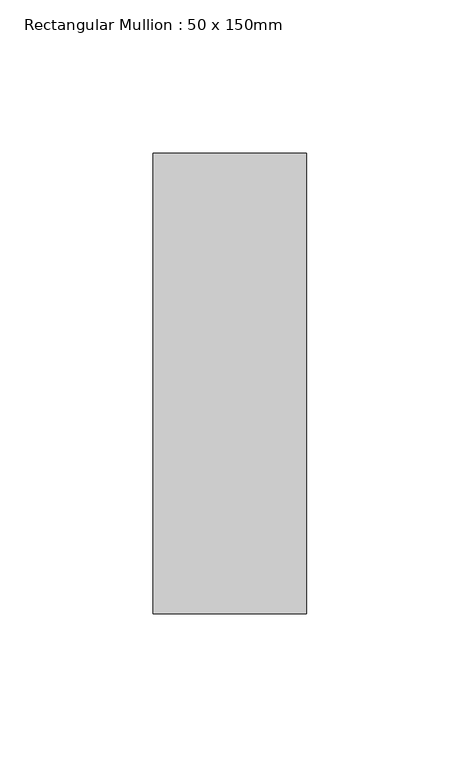
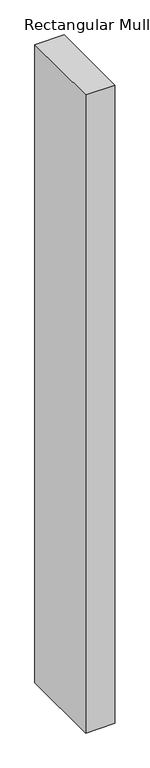
"""IFC4 building model written with IfcOpenShell, lengths in millimetres: member geometry, Rectangular Mullion : 50 x 150mm."""

import ifcopenshell
import ifcopenshell.guid

model = None  # the IFC model being written
_history = None  # IfcOwnerHistory: only IFC2X3 demands one
_inside = {}  # id of a spatial element -> (the spatial element, [elements in it])
_under = {}  # id of a project, library or spatial element -> (it, [spatial elements below it])
_declared = {}  # id of a project -> (the project, [libraries it declares])
_typed = {}  # id of a type object -> (the type object, [elements of that type])
_made_of = {}  # id of a material, layer set ... -> (it, [elements and type objects made of it])


def new_model(schema):
    """Start an empty IFC model of exactly this schema.

    Asked for "IFC4X3", IfcOpenShell would pick the latest addendum, in which some entities
    have other attributes; the version numbers below select the first issue.
    IFC2X3 requires an IfcOwnerHistory on every rooted entity: one is made here for all.
    """
    global model, _history
    if schema == "IFC4X3":
        model = ifcopenshell.file(schema_version=(4, 3, 0, 0))
    else:
        model = ifcopenshell.file(schema=schema)
    _inside.clear()
    _under.clear()
    _declared.clear()
    _typed.clear()
    _made_of.clear()
    _history = None
    if model.schema == "IFC2X3":
        org = make("IfcOrganization", Name="unknown")
        user = make(
            "IfcPersonAndOrganization",
            ThePerson=make("IfcPerson", FamilyName="unknown"),
            TheOrganization=org,
        )
        app = make(
            "IfcApplication",
            ApplicationDeveloper=org,
            Version="unknown",
            ApplicationFullName="unknown",
            ApplicationIdentifier="unknown",
        )
        _history = make(
            "IfcOwnerHistory",
            OwningUser=user,
            OwningApplication=app,
            ChangeAction="ADDED",
            CreationDate=0,
        )
    return model


def make(cls, **values):
    """One entity of the class cls with the attributes given. An attribute that is None is left unset."""
    return model.create_entity(
        cls, **{name: value for name, value in values.items() if value is not None}
    )


def rooted(cls, **values):
    """An entity with a GlobalId (a new one), such as an element, a storey or a relation."""
    return make(cls, GlobalId=ifcopenshell.guid.new(), OwnerHistory=_history, **values)


def si_unit(unit_type, name, prefix=None):
    """IfcSIUnit, for example si_unit("LENGTHUNIT", "METRE", prefix="MILLI")."""
    return make("IfcSIUnit", UnitType=unit_type, Prefix=prefix, Name=name)


def assignment(units):
    """IfcUnitAssignment: the units of a project."""
    return None if units is None else make("IfcUnitAssignment", Units=units)


def point(xyz):
    """IfcCartesianPoint."""
    return None if xyz is None else make("IfcCartesianPoint", Coordinates=xyz)


def direction(xyz):
    """IfcDirection."""
    return None if xyz is None else make("IfcDirection", DirectionRatios=xyz)


def frame(location, z_axis=None, x_axis=None):
    """IfcAxis2Placement3D, a coordinate frame: its origin and axes. An axis left out is left unset."""
    return make(
        "IfcAxis2Placement3D",
        Location=point(location),
        Axis=direction(z_axis),
        RefDirection=direction(x_axis),
    )


def origin():
    """The frame at (0, 0, 0) with its axes left unset."""
    return frame((0.0, 0.0, 0.0))


def place(relative_to, where):
    """IfcLocalPlacement: puts the frame where relative to a parent placement (None: the world)."""
    return make(
        "IfcLocalPlacement", PlacementRelTo=relative_to, RelativePlacement=where
    )


def context(
    kind, dimensions, precision=None, world=None, true_north=None, identifier=None
):
    """IfcGeometricRepresentationContext, for example the 3D "Model" context."""
    return make(
        "IfcGeometricRepresentationContext",
        ContextIdentifier=identifier,
        ContextType=kind,
        CoordinateSpaceDimension=dimensions,
        Precision=precision,
        WorldCoordinateSystem=world,
        TrueNorth=true_north,
    )


def project(units=None, contexts=None):
    """IfcProject with its units and contexts."""
    return rooted(
        "IfcProject",
        Name="project",
        RepresentationContexts=contexts,
        UnitsInContext=assignment(units),
    )


def spatial(cls, under=None, at=None, **own):
    """A site, building, storey or space (cls), placed at a placement, below another one or the project."""
    s = rooted(cls, ObjectPlacement=at, **own)
    if under is not None:
        _under.setdefault(under.id(), (under, []))[1].append(s)
    return s


def polyline(points):
    """IfcPolyline through the points."""
    return make("IfcPolyline", Points=[point(p) for p in points])


def outline(outer, holes=None, kind="AREA"):
    """IfcArbitraryClosedProfileDef: a profile drawn as a closed curve; with holes, ...WithVoids."""
    if holes is None:
        return make("IfcArbitraryClosedProfileDef", ProfileType=kind, OuterCurve=outer)
    return make(
        "IfcArbitraryProfileDefWithVoids",
        ProfileType=kind,
        OuterCurve=outer,
        InnerCurves=holes,
    )


def extrude(swept, where, along, depth):
    """IfcExtrudedAreaSolid: the profile swept, set in the frame where, extruded along a direction by depth."""
    return make(
        "IfcExtrudedAreaSolid",
        SweptArea=swept,
        Position=where,
        ExtrudedDirection=direction(along),
        Depth=depth,
    )


def shape(context_of_items, identifier, shape_type, items):
    """IfcShapeRepresentation: the items that make up one representation, for example the "Body"."""
    return make(
        "IfcShapeRepresentation",
        ContextOfItems=context_of_items,
        RepresentationIdentifier=identifier,
        RepresentationType=shape_type,
        Items=items,
    )


def source(mapping_origin, context_of_items, identifier, shape_type, items):
    """IfcRepresentationMap: a shape defined once, which mapped items show again and again."""
    return make(
        "IfcRepresentationMap",
        MappingOrigin=mapping_origin,
        MappedRepresentation=shape(context_of_items, identifier, shape_type, items),
    )


def transform(
    local_origin,
    x_axis=None,
    y_axis=None,
    z_axis=None,
    scale=None,
    scale2=None,
    scale3=None,
    uniform=True,
):
    """IfcCartesianTransformationOperator3D, or its non-uniform kind. x_axis, y_axis, z_axis: its Axis1, 2, 3."""
    if uniform:
        return make(
            "IfcCartesianTransformationOperator3D",
            Axis1=direction(x_axis),
            Axis2=direction(y_axis),
            LocalOrigin=point(local_origin),
            Scale=scale,
            Axis3=direction(z_axis),
        )
    return make(
        "IfcCartesianTransformationOperator3DnonUniform",
        Axis1=direction(x_axis),
        Axis2=direction(y_axis),
        LocalOrigin=point(local_origin),
        Scale=scale,
        Axis3=direction(z_axis),
        Scale2=scale2,
        Scale3=scale3,
    )


def mapped(mapping_source, mapping_target):
    """IfcMappedItem: shows the shape of a source again, moved by a transform."""
    return make(
        "IfcMappedItem", MappingSource=mapping_source, MappingTarget=mapping_target
    )


def made_of(thing, what):
    """Note that an element or type object is made of a material, layer set ...; save() writes the relation."""
    if what is not None:
        _made_of.setdefault(what.id(), (what, []))[1].append(thing)
    return thing


def element(
    cls,
    number,
    at=None,
    inside=None,
    cuts=None,
    type_object=None,
    material=None,
    context=None,
    identifier="Body",
    shape_type=None,
    held_by="IfcProductDefinitionShape",
    body=None,
    shapes=None,
    **own,
):
    """One element of the class cls, such as IfcWall. Its Tag is "e" and its number.

    at: its placement. inside: the storey or other place that contains it. cuts: it is an
    opening in that element (IfcRelVoidsElement). A single representation is given by context,
    identifier, shape_type and body (its items); several are given by shapes. held_by: the class
    of the entity that holds the representations. save() writes the other relations.
    """
    e = rooted(cls, Tag="e%d" % number, ObjectPlacement=at, **own)
    if body is not None:
        shapes = [shape(context, identifier, shape_type, body)]
    if shapes is not None:
        e.Representation = make(held_by, Representations=shapes)
    if inside is not None:
        _inside.setdefault(inside.id(), (inside, []))[1].append(e)
    if cuts is not None:
        rooted(
            "IfcRelVoidsElement", RelatingBuildingElement=cuts, RelatedOpeningElement=e
        )
    if type_object is not None:
        _typed.setdefault(type_object.id(), (type_object, []))[1].append(e)
    return made_of(e, material)


def aggregate(whole, parts):
    """IfcRelAggregates: a whole, such as a stair, and the parts it consists of."""
    return rooted("IfcRelAggregates", RelatingObject=whole, RelatedObjects=parts)


def save(model, path):
    """Write the relations noted so far, then the file.

    IfcRelAggregates (storeys below a building ...), IfcRelContainedInSpatialStructure (elements
    in a storey), IfcRelDefinesByType, IfcRelAssociatesMaterial and IfcRelDeclares: one each for
    every whole, place, type object, material and project.
    """
    for whole, parts in _under.values():
        aggregate(whole, parts)
    for where, things in _inside.values():
        rooted(
            "IfcRelContainedInSpatialStructure",
            RelatedElements=things,
            RelatingStructure=where,
        )
    for kind, things in _typed.values():
        rooted("IfcRelDefinesByType", RelatedObjects=things, RelatingType=kind)
    for what, things in _made_of.values():
        rooted("IfcRelAssociatesMaterial", RelatedObjects=things, RelatingMaterial=what)
    for by, libraries in _declared.values():
        rooted("IfcRelDeclares", RelatingContext=by, RelatedDefinitions=libraries)
    model.write(path)


def rectangular_mullion_50_x_150mm_1a684da8(model_context):
    return source(origin(), model_context, "Body", "SweptSolid", [
        extrude(outline(polyline([(0.0, 75.0), (0.0, -75.0), (-50.0, -75.0), (-50.0, 75.0), (0.0, 75.0)])), frame((0.0, 0.0, -1154.0346468), z_axis=(0.0, 0.0, 1.0), x_axis=(1.0, 0.0, 0.0)), (0.0, 0.0, 1.0), 1154.0346468),
    ])


if __name__ == "__main__":
    model = new_model("IFC4")
    model_context = context("Model", 3, world=origin())
    ifc_project = project(units=[si_unit("LENGTHUNIT", "METRE", prefix="MILLI")], contexts=[model_context])
    site = spatial("IfcSite", under=ifc_project)
    building = spatial("IfcBuilding", under=site)
    placement = place(None, origin())
    rectangular_mullion_50_x_150mm_shape = rectangular_mullion_50_x_150mm_1a684da8(model_context)
    element("IfcMember", 1, ObjectType="Rectangular Mullion : 50 x 150mm", at=placement, inside=building, context=model_context, shape_type="MappedRepresentation", body=[
        mapped(rectangular_mullion_50_x_150mm_shape, transform((0.0, 0.0, 0.0), x_axis=(1.0, 0.0, 0.0), y_axis=(0.0, 1.0, 0.0), z_axis=(0.0, 0.0, 1.0))),
    ])
    save(model, "model.ifc")
